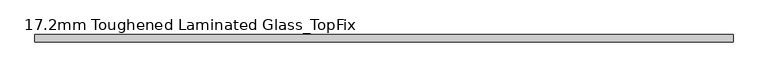
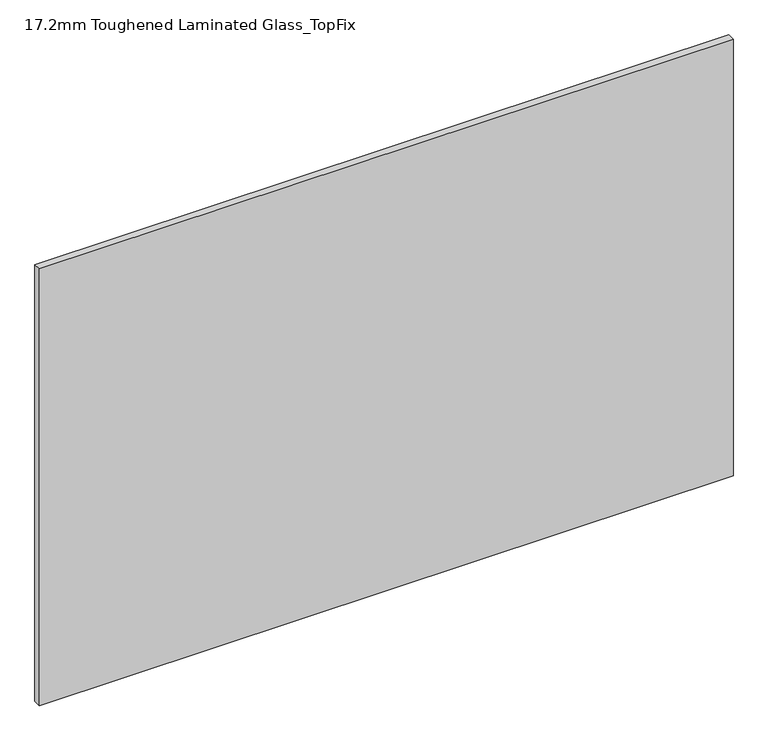
"""IFC4 building model written with IfcOpenShell, lengths in millimetres: plate geometry, 17.2mm Toughened Laminated Glass_TopFix."""

from ifc_helpers import new_model, si_unit, origin, origin_with_axes, place, context, project, spatial, polyline, outline, extrude, source, transform, mapped, element, save


def plate_17_2mm_toughened_laminated_glass_topfix_6506d956(model_context):
    return source(origin(), model_context, "Body", "SweptSolid", [
        extrude(outline(polyline([(795.0000001, 8.6), (795.0000001, -8.6), (-795.0000001, -8.6), (-795.0000001, 8.6), (795.0000001, 8.6)])), origin_with_axes(), (0.0, 0.0, 1.0), 1058.0),
    ])


if __name__ == "__main__":
    model = new_model("IFC4")
    model_context = context("Model", 3, world=origin())
    ifc_project = project(units=[si_unit("LENGTHUNIT", "METRE", prefix="MILLI")], contexts=[model_context])
    site = spatial("IfcSite", under=ifc_project)
    building = spatial("IfcBuilding", under=site)
    placement = place(None, origin())
    plate_17_2mm_toughened_laminated_glass_topfix_shape = plate_17_2mm_toughened_laminated_glass_topfix_6506d956(model_context)
    element("IfcPlate", 1, ObjectType="17.2mm Toughened Laminated Glass_TopFix", at=placement, inside=building, context=model_context, shape_type="MappedRepresentation", body=[
        mapped(plate_17_2mm_toughened_laminated_glass_topfix_shape, transform((0.0, 0.0, 0.0), x_axis=(1.0, 0.0, 0.0), y_axis=(0.0, 1.0, 0.0), z_axis=(0.0, 0.0, 1.0))),
    ])
    save(model, "model.ifc")
